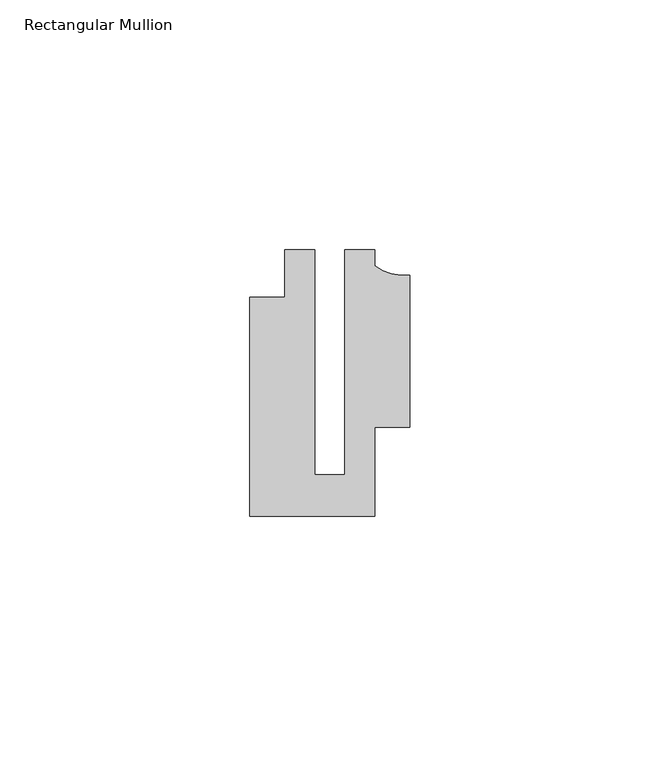
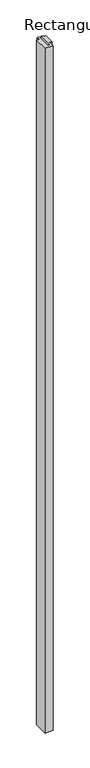
"""IFC4 building model written with IfcOpenShell, lengths in millimetres: member geometry, Rectangular Mullion."""

from ifc_helpers import new_model, si_unit, point, frame, frame_2d, origin, place, context, project, spatial, polyline, circle_curve, trimmed, segment, composite_curve, outline, extrude, source, transform, mapped, element, save


def rectangular_mullion_83bceb48(model_context):
    return source(origin(), model_context, "Body", "SweptSolid", [
        extrude(outline(composite_curve([segment(polyline([(15.9999391, -14.9953356), (9.0, -14.9953356), (9.0, -32.7960123), (-15.9999391, -32.7960123), (-15.9999391, 11.0039877), (-8.9999842, 11.0039877), (-8.9999842, 20.5039877), (-2.9999659, 20.5039877), (-2.9999659, -24.5130805), (2.9999676, -24.5130805), (2.9999676, 20.5039877), (8.9999842, 20.5039877), (8.9999842, 17.3165203)]), True, "CONTINUOUS"), segment(trimmed(circle_curve(frame_2d((15.1098019, 25.802169)), 10.4563907), [point((8.9999842, 17.3165203))], [point((15.9999391, 15.3837352))], True, "CARTESIAN"), True, "CONTINUOUS"), segment(polyline([(15.9999391, 15.3837352), (15.9999391, -14.9953356)]), True, "CONTINUOUS")], self_intersect=False)), frame((0.0, 0.0, -2200.0), z_axis=(0.0, 0.0, 1.0), x_axis=(1.0, 0.0, 0.0)), (0.0, 0.0, 1.0), 2200.0),
    ])


if __name__ == "__main__":
    model = new_model("IFC4")
    model_context = context("Model", 3, world=origin())
    ifc_project = project(units=[si_unit("LENGTHUNIT", "METRE", prefix="MILLI")], contexts=[model_context])
    site = spatial("IfcSite", under=ifc_project)
    building = spatial("IfcBuilding", under=site)
    placement = place(None, origin())
    rectangular_mullion_shape = rectangular_mullion_83bceb48(model_context)
    element("IfcMember", 1, ObjectType="Rectangular Mullion", at=placement, inside=building, context=model_context, shape_type="MappedRepresentation", body=[
        mapped(rectangular_mullion_shape, transform((0.0, 0.0, 0.0), x_axis=(1.0, 0.0, 0.0), y_axis=(0.0, 1.0, 0.0), z_axis=(0.0, 0.0, 1.0))),
    ])
    save(model, "model.ifc")
